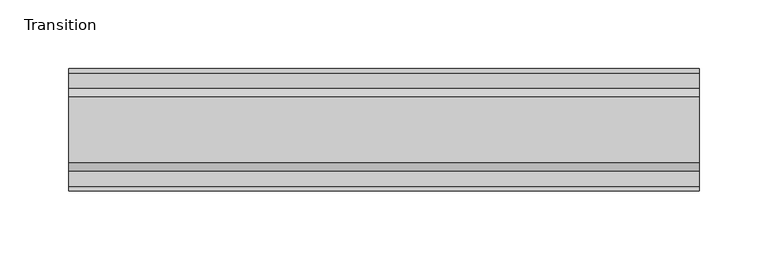
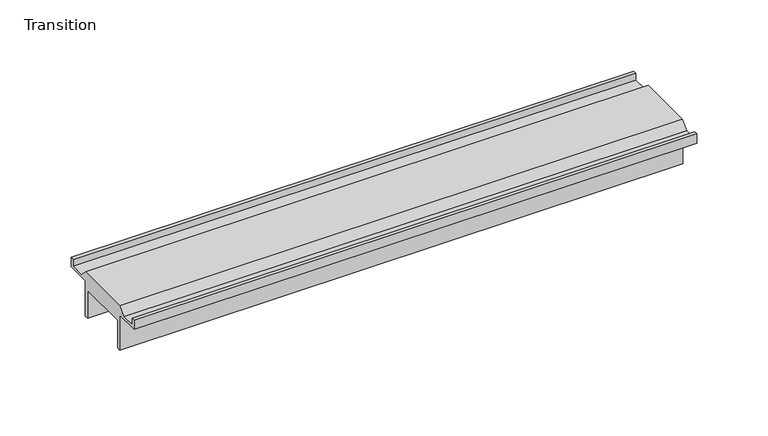
"""IFC4 building model written with IfcOpenShell, lengths in millimetres: furniture geometry, Transition."""

from ifc_helpers import new_model, si_unit, frame, origin, place, context, project, spatial, polyline, outline, extrude, source, transform, mapped, element, save


def transition_5c2d6b32(model_context):
    return source(origin(), model_context, "Body", "SweptSolid", [
        extrude(outline(polyline([(-8.7481957, -7.9375), (-28.948195, -7.9375), (-28.948195, 0.0), (-25.9481963, 0.0), (-25.9481963, -5.9490373), (-14.4787964, -5.9490373), (-8.5297591, 0.0), (39.5333691, 0.0), (45.4824065, -5.9490373), (56.9518064, -5.9490373), (56.9518064, 0.0), (59.951805, 0.0), (59.951805, -7.9375), (39.7518058, -7.9375), (39.7518058, -38.1), (36.4518057, -38.1), (36.4518057, -14.2875), (-5.4481956, -14.2875), (-5.4481956, -38.1), (-8.7481957, -38.1), (-8.7481957, -7.9375)])), frame((-198.6228469, 0.0, 0.0), z_axis=(1.0, 0.0, 0.0), x_axis=(0.0, 1.0, 0.0)), (0.0, 0.0, 1.0), 457.2),
    ])


if __name__ == "__main__":
    model = new_model("IFC4")
    model_context = context("Model", 3, world=origin())
    ifc_project = project(units=[si_unit("LENGTHUNIT", "METRE", prefix="MILLI")], contexts=[model_context])
    site = spatial("IfcSite", under=ifc_project)
    building = spatial("IfcBuilding", under=site)
    placement = place(None, origin())
    transition_shape = transition_5c2d6b32(model_context)
    element("IfcFurniture", 1, ObjectType="Transition", at=placement, inside=building, context=model_context, shape_type="MappedRepresentation", body=[
        mapped(transition_shape, transform((0.0, 0.0, 0.0), x_axis=(1.0, 0.0, 0.0), y_axis=(0.0, 1.0, 0.0), z_axis=(0.0, 0.0, 1.0))),
    ])
    save(model, "model.ifc")
